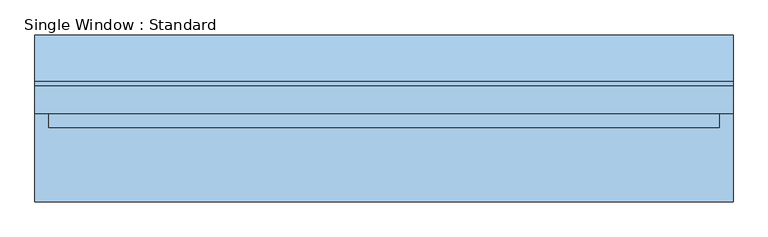
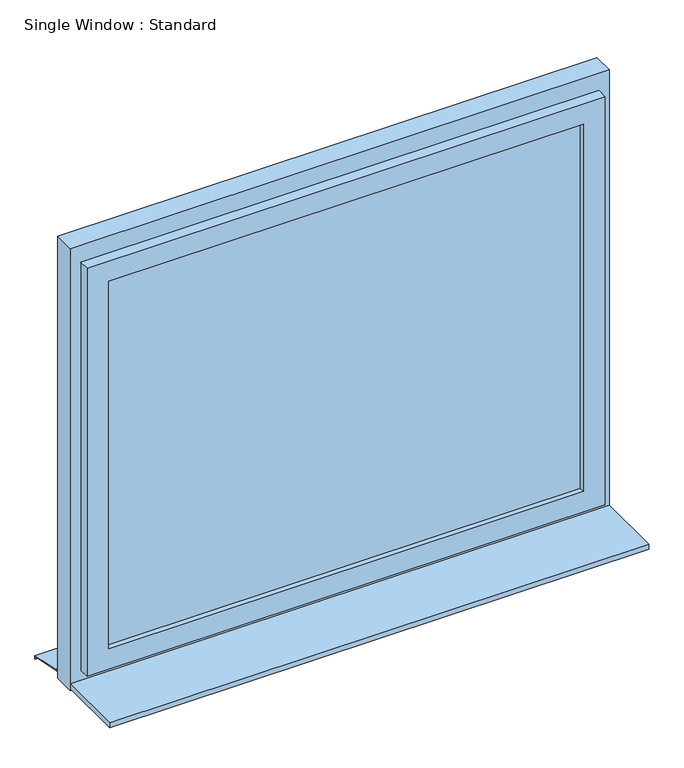
"""IFC4 building model written with IfcOpenShell, lengths in millimetres: window geometry, Single Window : Standard."""

from ifc_helpers import new_model, si_unit, frame, origin, place, context, project, spatial, polyline, outline, extrude, faceted_brep, source, transform, mapped, element, save


def single_window_standard_82263f57(model_context):
    return source(origin(), model_context, "Body", "SolidModel", [
        extrude(outline(polyline([(661.3922108, -5.0), (-661.3922108, -5.0), (-661.3922108, 25.0), (661.3922108, 25.0), (661.3922108, -5.0)])), frame((0.0, 0.0, 1110.0), z_axis=(0.0, 0.0, 1.0), x_axis=(1.0, 0.0, 0.0)), (0.0, 0.0, 1.0), 1080.8618056),
        faceted_brep([(721.3922108, 10.0, 2250.8618056), (721.3922108, -20.0, 2250.8618056), (721.3922108, -20.0, 1050.0), (721.3922108, 10.0, 1050.0), (691.3922108, 40.0, 2220.8618056), (691.3922108, 10.0, 2220.8618056), (691.3922108, 10.0, 1080.0), (691.3922108, 40.0, 1080.0), (661.3922108, -20.0, 2190.8618056), (661.3922108, 40.0, 2190.8618056), (661.3922108, 40.0, 1110.0), (661.3922108, -20.0, 1110.0), (-721.3922108, -20.0, 1050.0), (-721.3922108, 10.0, 1050.0), (-691.3922108, 10.0, 1080.0), (-691.3922108, 40.0, 1080.0), (-661.3922108, 40.0, 1110.0), (-661.3922108, -20.0, 1110.0), (-721.3922108, -20.0, 2250.8618056), (-721.3922108, 10.0, 2250.8618056), (-691.3922108, 10.0, 2220.8618056), (-691.3922108, 40.0, 2220.8618056), (-661.3922108, 40.0, 2190.8618056), (-661.3922108, -20.0, 2190.8618056)], [[[0, 1, 2, 3]], [[4, 5, 6, 7]], [[8, 9, 10, 11]], [[3, 2, 12, 13]], [[7, 6, 14, 15]], [[11, 10, 16, 17]], [[13, 12, 18, 19]], [[15, 14, 20, 21]], [[17, 16, 22, 23]], [[19, 18, 1, 0]], [[3, 13, 19, 0], [5, 20, 14, 6]], [[21, 20, 5, 4]], [[7, 15, 21, 4], [9, 22, 16, 10]], [[23, 22, 9, 8]], [[1, 18, 12, 2], [11, 17, 23, 8]]]),
        extrude(outline(polyline([(2300.8618056, 751.3922108), (2300.8618056, -751.3922108), (1000.0, -751.3922108), (1000.0, 751.3922108), (2300.8618056, 751.3922108)]), holes=[polyline([(2220.8618056, 691.3922108), (1080.0, 691.3922108), (1080.0, -691.3922108), (2220.8618056, -691.3922108), (2220.8618056, 691.3922108)])]), frame((0.0, 10.0, 0.0), z_axis=(0.0, 1.0, 0.0), x_axis=(0.0, 0.0, 1.0)), (0.0, 0.0, 1.0), 60.0),
        extrude(outline(polyline([(80.0221543, 1020.0), (180.0, 1000.0), (180.0, 990.0), (178.0, 990.0), (178.0, 998.3604634), (79.8240723, 1018.0), (70.0, 1018.0), (70.0, 1020.0), (80.0221543, 1020.0)])), frame((-751.3922108, 0.0, 0.0), z_axis=(1.0, 0.0, 0.0), x_axis=(0.0, 1.0, 0.0)), (0.0, 0.0, 1.0), 1502.7844217),
        extrude(outline(polyline([(-751.3922108, -180.0), (-751.3922108, 10.0), (751.3922108, 10.0), (751.3922108, -180.0), (-751.3922108, -180.0)])), frame((0.0, 0.0, 1005.0), z_axis=(0.0, 0.0, 1.0), x_axis=(1.0, 0.0, 0.0)), (0.0, 0.0, 1.0), 15.0),
    ])


if __name__ == "__main__":
    model = new_model("IFC4")
    model_context = context("Model", 3, world=origin())
    ifc_project = project(units=[si_unit("LENGTHUNIT", "METRE", prefix="MILLI")], contexts=[model_context])
    site = spatial("IfcSite", under=ifc_project)
    building = spatial("IfcBuilding", under=site)
    placement = place(None, origin())
    single_window_standard_shape = single_window_standard_82263f57(model_context)
    element("IfcWindow", 1, ObjectType="Single Window : Standard", at=placement, inside=building, context=model_context, shape_type="MappedRepresentation", body=[
        mapped(single_window_standard_shape, transform((0.0, 0.0, 0.0), x_axis=(1.0, 0.0, 0.0), y_axis=(0.0, 1.0, 0.0), z_axis=(0.0, 0.0, 1.0))),
    ])
    save(model, "model.ifc")
